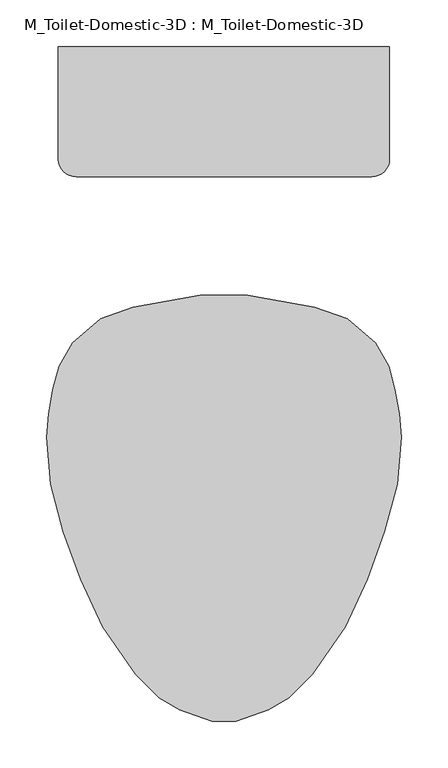
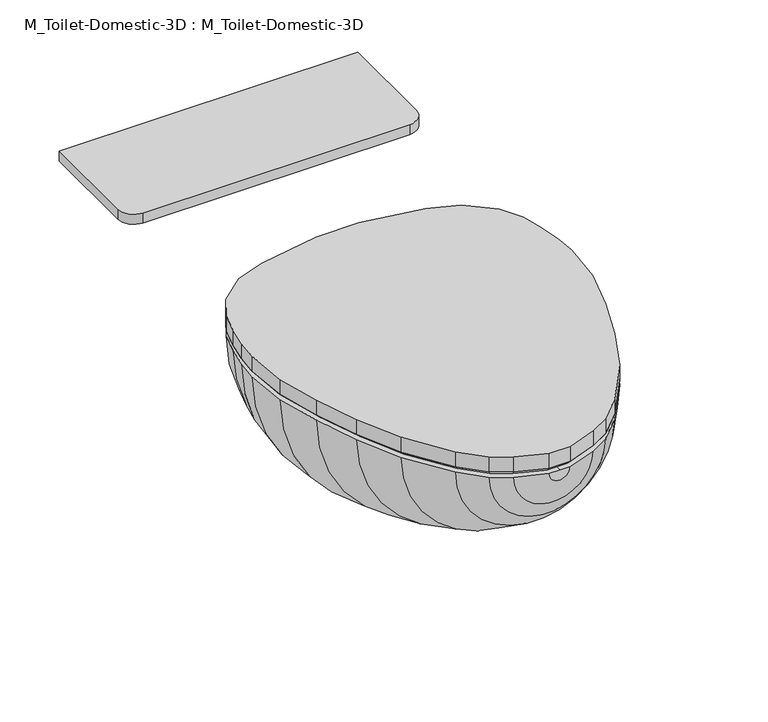
"""IFC4 building model written with IfcOpenShell, lengths in millimetres: flow terminal geometry, M_Toilet-Domestic-3D : M_Toilet-Domestic-3D."""

import ifcopenshell
import ifcopenshell.guid

model = None  # the IFC model being written
_history = None  # IfcOwnerHistory: only IFC2X3 demands one
_inside = {}  # id of a spatial element -> (the spatial element, [elements in it])
_under = {}  # id of a project, library or spatial element -> (it, [spatial elements below it])
_declared = {}  # id of a project -> (the project, [libraries it declares])
_typed = {}  # id of a type object -> (the type object, [elements of that type])
_made_of = {}  # id of a material, layer set ... -> (it, [elements and type objects made of it])


def new_model(schema):
    """Start an empty IFC model of exactly this schema.

    Asked for "IFC4X3", IfcOpenShell would pick the latest addendum, in which some entities
    have other attributes; the version numbers below select the first issue.
    IFC2X3 requires an IfcOwnerHistory on every rooted entity: one is made here for all.
    """
    global model, _history
    if schema == "IFC4X3":
        model = ifcopenshell.file(schema_version=(4, 3, 0, 0))
    else:
        model = ifcopenshell.file(schema=schema)
    _inside.clear()
    _under.clear()
    _declared.clear()
    _typed.clear()
    _made_of.clear()
    _history = None
    if model.schema == "IFC2X3":
        org = make("IfcOrganization", Name="unknown")
        user = make(
            "IfcPersonAndOrganization",
            ThePerson=make("IfcPerson", FamilyName="unknown"),
            TheOrganization=org,
        )
        app = make(
            "IfcApplication",
            ApplicationDeveloper=org,
            Version="unknown",
            ApplicationFullName="unknown",
            ApplicationIdentifier="unknown",
        )
        _history = make(
            "IfcOwnerHistory",
            OwningUser=user,
            OwningApplication=app,
            ChangeAction="ADDED",
            CreationDate=0,
        )
    return model


def make(cls, **values):
    """One entity of the class cls with the attributes given. An attribute that is None is left unset."""
    return model.create_entity(
        cls, **{name: value for name, value in values.items() if value is not None}
    )


def rooted(cls, **values):
    """An entity with a GlobalId (a new one), such as an element, a storey or a relation."""
    return make(cls, GlobalId=ifcopenshell.guid.new(), OwnerHistory=_history, **values)


def si_unit(unit_type, name, prefix=None):
    """IfcSIUnit, for example si_unit("LENGTHUNIT", "METRE", prefix="MILLI")."""
    return make("IfcSIUnit", UnitType=unit_type, Prefix=prefix, Name=name)


def assignment(units):
    """IfcUnitAssignment: the units of a project."""
    return None if units is None else make("IfcUnitAssignment", Units=units)


def point(xyz):
    """IfcCartesianPoint."""
    return None if xyz is None else make("IfcCartesianPoint", Coordinates=xyz)


def direction(xyz):
    """IfcDirection."""
    return None if xyz is None else make("IfcDirection", DirectionRatios=xyz)


def frame(location, z_axis=None, x_axis=None):
    """IfcAxis2Placement3D, a coordinate frame: its origin and axes. An axis left out is left unset."""
    return make(
        "IfcAxis2Placement3D",
        Location=point(location),
        Axis=direction(z_axis),
        RefDirection=direction(x_axis),
    )


def frame_2d(location, x_axis=None):
    """IfcAxis2Placement2D, a coordinate frame in the plane: its origin and x axis."""
    return make(
        "IfcAxis2Placement2D", Location=point(location), RefDirection=direction(x_axis)
    )


def origin():
    """The frame at (0, 0, 0) with its axes left unset."""
    return frame((0.0, 0.0, 0.0))


def place(relative_to, where):
    """IfcLocalPlacement: puts the frame where relative to a parent placement (None: the world)."""
    return make(
        "IfcLocalPlacement", PlacementRelTo=relative_to, RelativePlacement=where
    )


def context(
    kind, dimensions, precision=None, world=None, true_north=None, identifier=None
):
    """IfcGeometricRepresentationContext, for example the 3D "Model" context."""
    return make(
        "IfcGeometricRepresentationContext",
        ContextIdentifier=identifier,
        ContextType=kind,
        CoordinateSpaceDimension=dimensions,
        Precision=precision,
        WorldCoordinateSystem=world,
        TrueNorth=true_north,
    )


def project(units=None, contexts=None):
    """IfcProject with its units and contexts."""
    return rooted(
        "IfcProject",
        Name="project",
        RepresentationContexts=contexts,
        UnitsInContext=assignment(units),
    )


def spatial(cls, under=None, at=None, **own):
    """A site, building, storey or space (cls), placed at a placement, below another one or the project."""
    s = rooted(cls, ObjectPlacement=at, **own)
    if under is not None:
        _under.setdefault(under.id(), (under, []))[1].append(s)
    return s


def polyline(points):
    """IfcPolyline through the points."""
    return make("IfcPolyline", Points=[point(p) for p in points])


def circle_curve(where, radius):
    """IfcCircle in the frame where."""
    return make("IfcCircle", Position=where, Radius=radius)


def trimmed(basis, trim1, trim2, sense, master):
    """IfcTrimmedCurve: the piece of a basis curve between two trims."""
    return make(
        "IfcTrimmedCurve",
        BasisCurve=basis,
        Trim1=trim1,
        Trim2=trim2,
        SenseAgreement=sense,
        MasterRepresentation=master,
    )


def segment(curve, same_sense, transition):
    """IfcCompositeCurveSegment."""
    return make(
        "IfcCompositeCurveSegment",
        Transition=transition,
        SameSense=same_sense,
        ParentCurve=curve,
    )


def composite_curve(segments, self_intersect=None):
    """IfcCompositeCurve: segments joined end to end."""
    return make("IfcCompositeCurve", Segments=segments, SelfIntersect=self_intersect)


def outline(outer, holes=None, kind="AREA"):
    """IfcArbitraryClosedProfileDef: a profile drawn as a closed curve; with holes, ...WithVoids."""
    if holes is None:
        return make("IfcArbitraryClosedProfileDef", ProfileType=kind, OuterCurve=outer)
    return make(
        "IfcArbitraryProfileDefWithVoids",
        ProfileType=kind,
        OuterCurve=outer,
        InnerCurves=holes,
    )


def extrude(swept, where, along, depth):
    """IfcExtrudedAreaSolid: the profile swept, set in the frame where, extruded along a direction by depth."""
    return make(
        "IfcExtrudedAreaSolid",
        SweptArea=swept,
        Position=where,
        ExtrudedDirection=direction(along),
        Depth=depth,
    )


def faces_of(points, faces, orient=None, outer=None):
    """IfcFace entities. A face is a list of loops; a loop is a list of indices into points, from 0.

    orient and outer hold one flag for each loop. By default every Orientation is true, the
    first loop of a face is its IfcFaceOuterBound and the others are IfcFaceBound.
    """
    made = []
    for i, loops in enumerate(faces):
        bounds = []
        for j, loop in enumerate(loops):
            is_outer = j == 0 if outer is None else outer[i][j]
            bounds.append(
                make(
                    "IfcFaceOuterBound" if is_outer else "IfcFaceBound",
                    Bound=make("IfcPolyLoop", Polygon=[points[k] for k in loop]),
                    Orientation=True if orient is None else orient[i][j],
                )
            )
        made.append(make("IfcFace", Bounds=bounds))
    return made


def faceted_brep(points, faces, orient=None, outer=None, voids=None):
    """IfcFacetedBrep: a solid bounded by flat faces; with voids (closed shells), ...WithVoids."""
    shared = [point(p) for p in points]
    hull = make("IfcClosedShell", CfsFaces=faces_of(shared, faces, orient, outer))
    if voids is None:
        return make("IfcFacetedBrep", Outer=hull)
    return make(
        "IfcFacetedBrepWithVoids",
        Outer=hull,
        Voids=[
            make(cls, CfsFaces=faces_of(shared, fs, o, b)) for cls, fs, o, b in voids
        ],
    )


def shape(context_of_items, identifier, shape_type, items):
    """IfcShapeRepresentation: the items that make up one representation, for example the "Body"."""
    return make(
        "IfcShapeRepresentation",
        ContextOfItems=context_of_items,
        RepresentationIdentifier=identifier,
        RepresentationType=shape_type,
        Items=items,
    )


def source(mapping_origin, context_of_items, identifier, shape_type, items):
    """IfcRepresentationMap: a shape defined once, which mapped items show again and again."""
    return make(
        "IfcRepresentationMap",
        MappingOrigin=mapping_origin,
        MappedRepresentation=shape(context_of_items, identifier, shape_type, items),
    )


def transform(
    local_origin,
    x_axis=None,
    y_axis=None,
    z_axis=None,
    scale=None,
    scale2=None,
    scale3=None,
    uniform=True,
):
    """IfcCartesianTransformationOperator3D, or its non-uniform kind. x_axis, y_axis, z_axis: its Axis1, 2, 3."""
    if uniform:
        return make(
            "IfcCartesianTransformationOperator3D",
            Axis1=direction(x_axis),
            Axis2=direction(y_axis),
            LocalOrigin=point(local_origin),
            Scale=scale,
            Axis3=direction(z_axis),
        )
    return make(
        "IfcCartesianTransformationOperator3DnonUniform",
        Axis1=direction(x_axis),
        Axis2=direction(y_axis),
        LocalOrigin=point(local_origin),
        Scale=scale,
        Axis3=direction(z_axis),
        Scale2=scale2,
        Scale3=scale3,
    )


def mapped(mapping_source, mapping_target):
    """IfcMappedItem: shows the shape of a source again, moved by a transform."""
    return make(
        "IfcMappedItem", MappingSource=mapping_source, MappingTarget=mapping_target
    )


def made_of(thing, what):
    """Note that an element or type object is made of a material, layer set ...; save() writes the relation."""
    if what is not None:
        _made_of.setdefault(what.id(), (what, []))[1].append(thing)
    return thing


def element(
    cls,
    number,
    at=None,
    inside=None,
    cuts=None,
    type_object=None,
    material=None,
    context=None,
    identifier="Body",
    shape_type=None,
    held_by="IfcProductDefinitionShape",
    body=None,
    shapes=None,
    **own,
):
    """One element of the class cls, such as IfcWall. Its Tag is "e" and its number.

    at: its placement. inside: the storey or other place that contains it. cuts: it is an
    opening in that element (IfcRelVoidsElement). A single representation is given by context,
    identifier, shape_type and body (its items); several are given by shapes. held_by: the class
    of the entity that holds the representations. save() writes the other relations.
    """
    e = rooted(cls, Tag="e%d" % number, ObjectPlacement=at, **own)
    if body is not None:
        shapes = [shape(context, identifier, shape_type, body)]
    if shapes is not None:
        e.Representation = make(held_by, Representations=shapes)
    if inside is not None:
        _inside.setdefault(inside.id(), (inside, []))[1].append(e)
    if cuts is not None:
        rooted(
            "IfcRelVoidsElement", RelatingBuildingElement=cuts, RelatedOpeningElement=e
        )
    if type_object is not None:
        _typed.setdefault(type_object.id(), (type_object, []))[1].append(e)
    return made_of(e, material)


def aggregate(whole, parts):
    """IfcRelAggregates: a whole, such as a stair, and the parts it consists of."""
    return rooted("IfcRelAggregates", RelatingObject=whole, RelatedObjects=parts)


def save(model, path):
    """Write the relations noted so far, then the file.

    IfcRelAggregates (storeys below a building ...), IfcRelContainedInSpatialStructure (elements
    in a storey), IfcRelDefinesByType, IfcRelAssociatesMaterial and IfcRelDeclares: one each for
    every whole, place, type object, material and project.
    """
    for whole, parts in _under.values():
        aggregate(whole, parts)
    for where, things in _inside.values():
        rooted(
            "IfcRelContainedInSpatialStructure",
            RelatedElements=things,
            RelatingStructure=where,
        )
    for kind, things in _typed.values():
        rooted("IfcRelDefinesByType", RelatedObjects=things, RelatingType=kind)
    for what, things in _made_of.values():
        rooted("IfcRelAssociatesMaterial", RelatedObjects=things, RelatingMaterial=what)
    for by, libraries in _declared.values():
        rooted("IfcRelDeclares", RelatingContext=by, RelatedDefinitions=libraries)
    model.write(path)


def plane_surface(at):
    """IfcPlane: the flat surface through the origin of the frame at, square to its z axis."""
    return make("IfcPlane", Position=at)


def revolved_surface(curve, axis_point, axis_direction):
    """IfcSurfaceOfRevolution: the curve turned about the line through axis_point along axis_direction."""
    return make(
        "IfcSurfaceOfRevolution",
        SweptCurve=make("IfcArbitraryOpenProfileDef", ProfileType="CURVE", Curve=curve),
        AxisPosition=make("IfcAxis1Placement", Location=point(axis_point), Axis=direction(axis_direction)),
    )


def advanced_brep(points, edges, surfaces, faces):
    """IfcAdvancedBrep: a solid bounded by faces that lie on surfaces and meet in shared edges.

    An edge is (start, end): straight between two places in points (the first is 0);
    or (start, end, curve); or (start, end, curve, False) where it runs against its curve.
    A face is (place in surfaces, loops), or (place, loops, False) where it looks against
    its surface's normal. A loop lists edges by number (the first is 1), with a minus sign
    where the edge is run from its end to its start. The first loop is the outer one.
    """
    corners = [point(p) for p in points]
    vertices = [make("IfcVertexPoint", VertexGeometry=c) for c in corners]
    made = []
    for start, end, *more in edges:
        made.append(
            make(
                "IfcEdgeCurve",
                EdgeStart=vertices[start],
                EdgeEnd=vertices[end],
                EdgeGeometry=more[0] if more else make("IfcPolyline", Points=[corners[start], corners[end]]),
                SameSense=more[1] if len(more) > 1 else True,
            )
        )
    hull = []
    for where, loops, *sense in faces:
        bounds = []
        for j, loop in enumerate(loops):
            ring = [make("IfcOrientedEdge", EdgeElement=made[abs(k) - 1], Orientation=k > 0) for k in loop]
            bounds.append(
                make(
                    "IfcFaceOuterBound" if j == 0 else "IfcFaceBound",
                    Bound=make("IfcEdgeLoop", EdgeList=ring),
                    Orientation=True,
                )
            )
        hull.append(make("IfcAdvancedFace", Bounds=bounds, FaceSurface=surfaces[where], SameSense=sense[0] if sense else True))
    return make("IfcAdvancedBrep", Outer=make("IfcClosedShell", CfsFaces=hull))


def m_toilet_domestic_3d_m_toilet_domestic_3d_183bbd19(model_context):
    return source(origin(), model_context, "Body", "SolidModel", [
        advanced_brep(
        [(-25.4, 152.4, 361.95), (-97.4252791, 139.7, 361.95), (-132.3182423, 127.0, 361.95), (-162.5887836, 101.6, 361.95), (-176.9845865, 76.2, 361.95), (-183.790496, 50.8, 361.95), (-188.2862441, 25.3033453, 361.95), (-190.5, 0.0, 361.95), (-186.0724883, -50.6066907, 361.95), (-172.4088722, -101.6, 361.95), (-153.9191843, -152.4, 361.95), (-130.2307553, -203.2, 361.95), (-94.9900085, -254.0, 361.95), (-69.5900085, -279.4, 361.95), (-47.5929632, -292.1, 361.95), (-12.7, -304.8, 361.95), (0.0, -304.8, 361.95), (0.0, -284.592034, 361.95), (-12.5224565, -284.592034, 361.95), (-39.5113323, -274.7688865, 361.95), (-58.4178985, -263.8531754, 361.95), (-79.2146703, -243.0564036, 361.95), (-114.0255101, -192.8761202, 361.95), (-136.654021, -144.3491221, 361.95), (-154.575847, -95.1093097, 361.95), (-167.7238545, -46.0402777, 361.95), (-171.5645445, -2.1409906, 361.95), (-169.3087351, 23.6430284, 361.95), (-165.101298, 47.5045901, 361.95), (-159.5484355, 68.2281551, 361.95), (-146.1085923, 90.5605136, 361.95), (-121.9980886, 110.7916284, 361.95), (-94.1172813, 120.9394123, 361.95), (-22.0920022, 133.6394123, 361.95), (0.0, 133.6394123, 361.95), (0.0, 152.4, 361.95), (25.4, 152.4, 361.95), (22.0920022, 133.6394123, 361.95), (94.1172813, 120.9394123, 361.95), (121.9980886, 110.7916284, 361.95), (146.1085923, 90.5605136, 361.95), (159.5484355, 68.2281551, 361.95), (165.101298, 47.5045901, 361.95), (169.3087351, 23.6430284, 361.95), (171.5645445, -2.1409906, 361.95), (167.7238545, -46.0402777, 361.95), (154.575847, -95.1093097, 361.95), (136.654021, -144.3491221, 361.95), (114.0255101, -192.8761202, 361.95), (79.2146703, -243.0564036, 361.95), (58.4178985, -263.8531754, 361.95), (39.5113323, -274.7688865, 361.95), (12.5224565, -284.592034, 361.95), (12.7, -304.8, 361.95), (47.5929632, -292.1, 361.95), (69.5900085, -279.4, 361.95), (94.9900085, -254.0, 361.95), (130.2307553, -203.2, 361.95), (153.9191843, -152.4, 361.95), (172.4088722, -101.6, 361.95), (186.0724883, -50.6066907, 361.95), (190.5, 0.0, 361.95), (188.2862441, 25.3033453, 361.95), (183.790496, 50.8, 361.95), (176.9845865, 76.2, 361.95), (162.5887836, 101.6, 361.95), (132.3182423, 127.0, 361.95), (97.4252791, 139.7, 361.95)],
        [
            (0, 1),
            (1, 2),
            (2, 3),
            (3, 4),
            (4, 5),
            (5, 6),
            (6, 7),
            (7, 8),
            (8, 9),
            (9, 10),
            (10, 11),
            (11, 12),
            (12, 13),
            (13, 14),
            (14, 15),
            (15, 16),
            (16, 17),
            (17, 18),
            (18, 19),
            (19, 20),
            (20, 21),
            (21, 22),
            (22, 23),
            (23, 24),
            (24, 25),
            (25, 26),
            (26, 27),
            (27, 28),
            (28, 29),
            (29, 30),
            (30, 31),
            (31, 32),
            (32, 33),
            (33, 34),
            (34, 35),
            (35, 0),
            (36, 35),
            (34, 37),
            (37, 38),
            (38, 39),
            (39, 40),
            (40, 41),
            (41, 42),
            (42, 43),
            (43, 44),
            (44, 45),
            (45, 46),
            (46, 47),
            (47, 48),
            (48, 49),
            (49, 50),
            (50, 51),
            (51, 52),
            (52, 17),
            (16, 53),
            (53, 54),
            (54, 55),
            (55, 56),
            (56, 57),
            (57, 58),
            (58, 59),
            (59, 60),
            (60, 61),
            (61, 62),
            (62, 63),
            (63, 64),
            (64, 65),
            (65, 66),
            (66, 67),
            (67, 36),
            (67, 1, circle_curve(frame((0.0, 139.7, 361.95), z_axis=(0.0, 1.0, 0.0), x_axis=(-1.0, 0.0, 0.0)), 97.4252791)),
            (0, 36, circle_curve(frame((0.0, 152.4, 361.95), z_axis=(0.0, -1.0, 0.0), x_axis=(-1.0, 0.0, 0.0)), 25.4)),
            (66, 2, circle_curve(frame((0.0, 127.0, 361.95), z_axis=(0.0, 1.0, 0.0), x_axis=(-1.0, 0.0, 0.0)), 132.3182423)),
            (65, 3, circle_curve(frame((0.0, 101.6, 361.95), z_axis=(0.0, 1.0, 0.0), x_axis=(-1.0, 0.0, 0.0)), 162.5887836)),
            (64, 4, circle_curve(frame((0.0, 76.2, 361.95), z_axis=(0.0, 1.0, 0.0), x_axis=(-1.0, 0.0, 0.0)), 176.9845865)),
            (63, 5, circle_curve(frame((0.0, 50.8, 361.95), z_axis=(0.0, 1.0, 0.0), x_axis=(-1.0, 0.0, 0.0)), 183.790496)),
            (62, 6, circle_curve(frame((0.0, 25.3033453, 361.95), z_axis=(0.0, 1.0, 0.0), x_axis=(-1.0, 0.0, 0.0)), 188.2862441)),
            (61, 7, circle_curve(frame((0.0, 0.0, 361.95), z_axis=(0.0, 1.0, 0.0), x_axis=(-1.0, 0.0, 0.0)), 190.5)),
            (60, 8, circle_curve(frame((0.0, -50.6066907, 361.95), z_axis=(0.0, 1.0, 0.0), x_axis=(-1.0, 0.0, 0.0)), 186.0724883)),
            (59, 9, circle_curve(frame((0.0, -101.6, 361.95), z_axis=(0.0, 1.0, 0.0), x_axis=(-1.0, 0.0, 0.0)), 172.4088722)),
            (58, 10, circle_curve(frame((0.0, -152.4, 361.95), z_axis=(0.0, 1.0, 0.0), x_axis=(-1.0, 0.0, 0.0)), 153.9191843)),
            (57, 11, circle_curve(frame((0.0, -203.2, 361.95), z_axis=(0.0, 1.0, 0.0), x_axis=(-1.0, 0.0, 0.0)), 130.2307553)),
            (56, 12, circle_curve(frame((0.0, -254.0, 361.95), z_axis=(0.0, 1.0, 0.0), x_axis=(-1.0, 0.0, 0.0)), 94.9900085)),
            (55, 13, circle_curve(frame((0.0, -279.4, 361.95), z_axis=(0.0, 1.0, 0.0), x_axis=(-1.0, 0.0, 0.0)), 69.5900085)),
            (54, 14, circle_curve(frame((0.0, -292.1, 361.95), z_axis=(0.0, 1.0, 0.0), x_axis=(-1.0, 0.0, 0.0)), 47.5929632)),
            (53, 15, circle_curve(frame((0.0, -304.8, 361.95), z_axis=(0.0, 1.0, 0.0), x_axis=(-1.0, 0.0, 0.0)), 12.7)),
            (52, 18, circle_curve(frame((0.0, -284.592034, 361.95), z_axis=(0.0, 1.0, 0.0), x_axis=(-1.0, 0.0, 0.0)), 12.5224565)),
            (51, 19, circle_curve(frame((0.0, -274.7688865, 361.95), z_axis=(0.0, 1.0, 0.0), x_axis=(-1.0, 0.0, 0.0)), 39.5113323)),
            (50, 20, circle_curve(frame((0.0, -263.8531754, 361.95), z_axis=(0.0, 1.0, 0.0), x_axis=(-1.0, 0.0, 0.0)), 58.4178985)),
            (49, 21, circle_curve(frame((0.0, -243.0564036, 361.95), z_axis=(0.0, 1.0, 0.0), x_axis=(-1.0, 0.0, 0.0)), 79.2146703)),
            (48, 22, circle_curve(frame((0.0, -192.8761202, 361.95), z_axis=(0.0, 1.0, 0.0), x_axis=(-1.0, 0.0, 0.0)), 114.0255101)),
            (47, 23, circle_curve(frame((0.0, -144.3491221, 361.95), z_axis=(0.0, 1.0, 0.0), x_axis=(-1.0, 0.0, 0.0)), 136.654021)),
            (46, 24, circle_curve(frame((0.0, -95.1093097, 361.95), z_axis=(0.0, 1.0, 0.0), x_axis=(-1.0, 0.0, 0.0)), 154.575847)),
            (45, 25, circle_curve(frame((0.0, -46.0402777, 361.95), z_axis=(0.0, 1.0, 0.0), x_axis=(-1.0, 0.0, 0.0)), 167.7238545)),
            (44, 26, circle_curve(frame((0.0, -2.1409906, 361.95), z_axis=(0.0, 1.0, 0.0), x_axis=(-1.0, 0.0, 0.0)), 171.5645445)),
            (43, 27, circle_curve(frame((0.0, 23.6430284, 361.95), z_axis=(0.0, 1.0, 0.0), x_axis=(-1.0, 0.0, 0.0)), 169.3087351)),
            (42, 28, circle_curve(frame((0.0, 47.5045901, 361.95), z_axis=(0.0, 1.0, 0.0), x_axis=(-1.0, 0.0, 0.0)), 165.101298)),
            (41, 29, circle_curve(frame((0.0, 68.2281551, 361.95), z_axis=(0.0, 1.0, 0.0), x_axis=(-1.0, 0.0, 0.0)), 159.5484355)),
            (40, 30, circle_curve(frame((0.0, 90.5605136, 361.95), z_axis=(0.0, 1.0, 0.0), x_axis=(-1.0, 0.0, 0.0)), 146.1085923)),
            (39, 31, circle_curve(frame((0.0, 110.7916284, 361.95), z_axis=(0.0, 1.0, 0.0), x_axis=(-1.0, 0.0, 0.0)), 121.9980886)),
            (38, 32, circle_curve(frame((0.0, 120.9394123, 361.95), z_axis=(0.0, 1.0, 0.0), x_axis=(-1.0, 0.0, 0.0)), 94.1172813)),
            (37, 33, circle_curve(frame((0.0, 133.6394123, 361.95), z_axis=(0.0, 1.0, 0.0), x_axis=(-1.0, 0.0, 0.0)), 22.0920022)),
        ],
        [
            plane_surface(frame((0.0, 175.1599017, 361.95), z_axis=(0.0, 0.0, 1.0), x_axis=(-1.0, 0.0, 0.0))),
            plane_surface(frame((0.0, 175.1599017, 361.95), z_axis=(0.0, 0.0, 1.0), x_axis=(1.0, 0.0, 0.0))),
            revolved_surface(polyline([(-25.4, 152.4, 361.95), (-97.4252791, 139.7, 361.95)]), (0.0, 175.1599017, 361.95), (0.0, -1.0, 0.0)),
            revolved_surface(polyline([(-97.4252791, 139.7, 361.95), (-132.3182423, 127.0, 361.95)]), (0.0, 175.1599017, 361.95), (0.0, -1.0, 0.0)),
            revolved_surface(polyline([(-132.3182423, 127.0, 361.95), (-162.5887836, 101.6, 361.95)]), (0.0, 175.1599017, 361.95), (0.0, -1.0, 0.0)),
            revolved_surface(polyline([(-162.5887836, 101.6, 361.95), (-176.9845865, 76.2, 361.95)]), (0.0, 175.1599017, 361.95), (0.0, -1.0, 0.0)),
            revolved_surface(polyline([(-176.9845865, 76.2, 361.95), (-183.790496, 50.8, 361.95)]), (0.0, 175.1599017, 361.95), (0.0, -1.0, 0.0)),
            revolved_surface(polyline([(-183.790496, 50.8, 361.95), (-188.2862441, 25.3033453, 361.95)]), (0.0, 175.1599017, 361.95), (0.0, -1.0, 0.0)),
            revolved_surface(polyline([(-188.2862441, 25.3033453, 361.95), (-190.5, 0.0, 361.95)]), (0.0, 175.1599017, 361.95), (0.0, -1.0, 0.0)),
            revolved_surface(polyline([(-190.5, 0.0, 361.95), (-186.0724883, -50.6066907, 361.95)]), (0.0, 175.1599017, 361.95), (0.0, -1.0, 0.0)),
            revolved_surface(polyline([(-186.0724883, -50.6066907, 361.95), (-172.4088722, -101.6, 361.95)]), (0.0, 175.1599017, 361.95), (0.0, -1.0, 0.0)),
            revolved_surface(polyline([(-172.4088722, -101.6, 361.95), (-153.9191843, -152.4, 361.95)]), (0.0, 175.1599017, 361.95), (0.0, -1.0, 0.0)),
            revolved_surface(polyline([(-153.9191843, -152.4, 361.95), (-130.2307553, -203.2, 361.95)]), (0.0, 175.1599017, 361.95), (0.0, -1.0, 0.0)),
            revolved_surface(polyline([(-130.2307553, -203.2, 361.95), (-94.9900085, -254.0, 361.95)]), (0.0, 175.1599017, 361.95), (0.0, -1.0, 0.0)),
            revolved_surface(polyline([(-94.9900085, -254.0, 361.95), (-69.5900085, -279.4, 361.95)]), (0.0, 175.1599017, 361.95), (0.0, -1.0, 0.0)),
            revolved_surface(polyline([(-69.5900085, -279.4, 361.95), (-47.5929632, -292.1, 361.95)]), (0.0, 175.1599017, 361.95), (0.0, -1.0, 0.0)),
            revolved_surface(polyline([(-47.5929632, -292.1, 361.95), (-12.7, -304.8, 361.95)]), (0.0, 175.1599017, 361.95), (0.0, -1.0, 0.0)),
            plane_surface(frame((0.0, -304.8, 361.95), z_axis=(0.0, -1.0, 0.0), x_axis=(-1.0, 0.0, 0.0))),
            plane_surface(frame((0.0, -284.592034, 361.95), z_axis=(0.0, 1.0, 0.0), x_axis=(-1.0, 0.0, 0.0))),
            revolved_surface(polyline([(-12.5224565, -284.592034, 361.95), (-39.5113323, -274.7688865, 361.95)]), (0.0, 175.1599017, 361.95), (0.0, -1.0, 0.0)),
            revolved_surface(polyline([(-39.5113323, -274.7688865, 361.95), (-58.4178985, -263.8531754, 361.95)]), (0.0, 175.1599017, 361.95), (0.0, -1.0, 0.0)),
            revolved_surface(polyline([(-58.4178985, -263.8531754, 361.95), (-79.2146703, -243.0564036, 361.95)]), (0.0, 175.1599017, 361.95), (0.0, -1.0, 0.0)),
            revolved_surface(polyline([(-79.2146703, -243.0564036, 361.95), (-114.0255101, -192.8761202, 361.95)]), (0.0, 175.1599017, 361.95), (0.0, -1.0, 0.0)),
            revolved_surface(polyline([(-114.0255101, -192.8761202, 361.95), (-136.654021, -144.3491221, 361.95)]), (0.0, 175.1599017, 361.95), (0.0, -1.0, 0.0)),
            revolved_surface(polyline([(-136.654021, -144.3491221, 361.95), (-154.575847, -95.1093097, 361.95)]), (0.0, 175.1599017, 361.95), (0.0, -1.0, 0.0)),
            revolved_surface(polyline([(-154.575847, -95.1093097, 361.95), (-167.7238545, -46.0402777, 361.95)]), (0.0, 175.1599017, 361.95), (0.0, -1.0, 0.0)),
            revolved_surface(polyline([(-167.7238545, -46.0402777, 361.95), (-171.5645445, -2.1409906, 361.95)]), (0.0, 175.1599017, 361.95), (0.0, -1.0, 0.0)),
            revolved_surface(polyline([(-171.5645445, -2.1409906, 361.95), (-169.3087351, 23.6430284, 361.95)]), (0.0, 175.1599017, 361.95), (0.0, -1.0, 0.0)),
            revolved_surface(polyline([(-169.3087351, 23.6430284, 361.95), (-165.101298, 47.5045901, 361.95)]), (0.0, 175.1599017, 361.95), (0.0, -1.0, 0.0)),
            revolved_surface(polyline([(-165.101298, 47.5045901, 361.95), (-159.5484355, 68.2281551, 361.95)]), (0.0, 175.1599017, 361.95), (0.0, -1.0, 0.0)),
            revolved_surface(polyline([(-159.5484355, 68.2281551, 361.95), (-146.1085923, 90.5605136, 361.95)]), (0.0, 175.1599017, 361.95), (0.0, -1.0, 0.0)),
            revolved_surface(polyline([(-146.1085923, 90.5605136, 361.95), (-121.9980886, 110.7916284, 361.95)]), (0.0, 175.1599017, 361.95), (0.0, -1.0, 0.0)),
            revolved_surface(polyline([(-121.9980886, 110.7916284, 361.95), (-94.1172813, 120.9394123, 361.95)]), (0.0, 175.1599017, 361.95), (0.0, -1.0, 0.0)),
            revolved_surface(polyline([(-94.1172813, 120.9394123, 361.95), (-22.0920022, 133.6394123, 361.95)]), (0.0, 175.1599017, 361.95), (0.0, -1.0, 0.0)),
            plane_surface(frame((0.0, 133.6394123, 361.95), z_axis=(0.0, -1.0, 0.0), x_axis=(-1.0, 0.0, 0.0))),
            plane_surface(frame((0.0, 152.4, 361.95), z_axis=(0.0, 1.0, 0.0), x_axis=(-1.0, 0.0, 0.0))),
        ],
        [
            (0, [[1, 2, 3, 4, 5, 6, 7, 8, 9, 10, 11, 12, 13, 14, 15, 16, 17, 18, 19, 20, 21, 22, 23, 24, 25, 26, 27, 28, 29, 30, 31, 32, 33, 34, 35, 36]]),
            (1, [[37, -35, 38, 39, 40, 41, 42, 43, 44, 45, 46, 47, 48, 49, 50, 51, 52, 53, 54, -17, 55, 56, 57, 58, 59, 60, 61, 62, 63, 64, 65, 66, 67, 68, 69, 70]]),
            (2, [[71, -1, 72, -70]]),
            (3, [[73, -2, -71, -69]]),
            (4, [[74, -3, -73, -68]]),
            (5, [[75, -4, -74, -67]]),
            (6, [[76, -5, -75, -66]]),
            (7, [[77, -6, -76, -65]]),
            (8, [[78, -7, -77, -64]]),
            (9, [[79, -8, -78, -63]]),
            (10, [[80, -9, -79, -62]]),
            (11, [[81, -10, -80, -61]]),
            (12, [[82, -11, -81, -60]]),
            (13, [[83, -12, -82, -59]]),
            (14, [[84, -13, -83, -58]]),
            (15, [[85, -14, -84, -57]]),
            (16, [[86, -15, -85, -56]]),
            (17, [[-16, -86, -55]]),
            (18, [[87, -18, -54]]),
            (19, [[88, -19, -87, -53]]),
            (20, [[89, -20, -88, -52]]),
            (21, [[90, -21, -89, -51]]),
            (22, [[91, -22, -90, -50]]),
            (23, [[92, -23, -91, -49]]),
            (24, [[93, -24, -92, -48]]),
            (25, [[94, -25, -93, -47]]),
            (26, [[95, -26, -94, -46]]),
            (27, [[96, -27, -95, -45]]),
            (28, [[97, -28, -96, -44]]),
            (29, [[98, -29, -97, -43]]),
            (30, [[99, -30, -98, -42]]),
            (31, [[100, -31, -99, -41]]),
            (32, [[101, -32, -100, -40]]),
            (33, [[102, -33, -101, -39]]),
            (34, [[-34, -102, -38]]),
            (35, [[-72, -36, -37]]),
        ],
    ),
        faceted_brep([(-97.4252791, 139.7, 368.3), (-132.3182423, 127.0, 368.3), (-162.5887836, 101.6, 368.3), (-176.9845865, 76.2, 368.3), (-183.790496, 50.8, 368.3), (-188.2862441, 25.3033453, 368.3), (-190.5, 0.0, 368.3), (-186.0724883, -50.6066907, 368.3), (-172.4088722, -101.6, 368.3), (-153.9191843, -152.4, 368.3), (-130.2307553, -203.2, 368.3), (-94.9900085, -254.0, 368.3), (-69.5900085, -279.4, 368.3), (-47.5929632, -292.1, 368.3), (-12.7, -304.8, 368.3), (12.7, -304.8, 368.3), (47.5929632, -292.1, 368.3), (69.5900085, -279.4, 368.3), (94.9900085, -254.0, 368.3), (130.2307553, -203.2, 368.3), (153.9191843, -152.4, 368.3), (172.4088722, -101.6, 368.3), (186.0724883, -50.6066907, 368.3), (190.5, 0.0, 368.3), (188.2862441, 25.3033453, 368.3), (183.790496, 50.8, 368.3), (176.9845865, 76.2, 368.3), (162.5887836, 101.6, 368.3), (132.3182423, 127.0, 368.3), (97.4252791, 139.7, 368.3), (25.4, 152.4, 368.3), (-25.4, 152.4, 368.3), (-95.7755003, 133.5429415, 361.95), (-24.844447, 146.05, 361.95), (24.844447, 146.05, 361.95), (95.7755003, 133.5429415, 361.95), (129.0942628, 121.4159037, 361.95), (157.6293435, 97.472128, 361.95), (171.060664, 73.773864, 361.95), (177.5851102, 49.4242991, 361.95), (181.9845715, 24.4737144, 361.95), (184.125744, 0.0, 361.95), (179.7950716, -49.4998127, 361.95), (166.347, -99.688699, 361.95), (148.0469602, -149.9676451, 361.95), (124.7045808, -200.0255393, 361.95), (90.0971582, -249.9125941, 361.95), (65.691017, -274.3187354, 361.95), (44.8990862, -286.3229622, 361.95), (11.5803237, -298.45, 361.95), (-11.5803237, -298.45, 361.95), (-44.8990862, -286.3229622, 361.95), (-65.691017, -274.3187354, 361.95), (-90.0971582, -249.9125941, 361.95), (-124.7045808, -200.0255393, 361.95), (-148.0469602, -149.9676451, 361.95), (-166.347, -99.688699, 361.95), (-179.7950716, -49.4998127, 361.95), (-184.125744, 0.0, 361.95), (-181.9845715, 24.4737144, 361.95), (-177.5851102, 49.4242991, 361.95), (-171.060664, 73.773864, 361.95), (-157.6293435, 97.472128, 361.95), (-129.0942628, 121.4159037, 361.95)], [[[0, 1, 2, 3, 4, 5, 6, 7, 8, 9, 10, 11, 12, 13, 14, 15, 16, 17, 18, 19, 20, 21, 22, 23, 24, 25, 26, 27, 28, 29, 30, 31]], [[32, 33, 34, 35, 36, 37, 38, 39, 40, 41, 42, 43, 44, 45, 46, 47, 48, 49, 50, 51, 52, 53, 54, 55, 56, 57, 58, 59, 60, 61, 62, 63]], [[32, 63, 1, 0]], [[63, 62, 2, 1]], [[62, 61, 3, 2]], [[61, 60, 4, 3]], [[60, 59, 5, 4]], [[59, 58, 6, 5]], [[58, 57, 7, 6]], [[57, 56, 8, 7]], [[56, 55, 9, 8]], [[55, 54, 10, 9]], [[54, 53, 11, 10]], [[53, 52, 12, 11]], [[52, 51, 13, 12]], [[51, 50, 14, 13]], [[50, 49, 15, 14]], [[49, 48, 16, 15]], [[48, 47, 17, 16]], [[47, 46, 18, 17]], [[46, 45, 19, 18]], [[45, 44, 20, 19]], [[44, 43, 21, 20]], [[43, 42, 22, 21]], [[42, 41, 23, 22]], [[41, 40, 24, 23]], [[40, 39, 25, 24]], [[39, 38, 26, 25]], [[38, 37, 27, 26]], [[37, 36, 28, 27]], [[36, 35, 29, 28]], [[35, 34, 30, 29]], [[34, 33, 31, 30]], [[33, 32, 0, 31]]]),
        extrude(outline(composite_curve([segment(polyline([(177.8, 419.1), (177.8, 298.45)]), True, "CONTINUOUS"), segment(trimmed(circle_curve(frame_2d((158.75, 298.45)), 19.05), [point((177.8, 298.45))], [point((158.75, 279.4))], False, "CARTESIAN"), True, "CONTINUOUS"), segment(polyline([(158.75, 279.4), (-158.75, 279.4)]), True, "CONTINUOUS"), segment(trimmed(circle_curve(frame_2d((-158.75, 298.45)), 19.05), [point((-158.75, 279.4))], [point((-177.8, 298.45))], False, "CARTESIAN"), True, "CONTINUOUS"), segment(polyline([(-177.8, 298.45), (-177.8, 419.1), (177.8, 419.1)]), True, "CONTINUOUS")], self_intersect=False)), frame((0.0, 0.0, 374.65), z_axis=(0.0, 0.0, 1.0), x_axis=(1.0, 0.0, 0.0)), (0.0, 0.0, 1.0), 12.5681453),
        extrude(outline(polyline([(-162.5887836, 101.6), (-132.3182423, 127.0), (-97.4252791, 139.7), (-25.4, 152.4), (25.4, 152.4), (97.4252791, 139.7), (132.3182423, 127.0), (162.5887836, 101.6), (176.9845865, 76.2), (183.790496, 50.8), (188.2862441, 25.3033453), (190.5, 0.0), (186.0724883, -50.6066907), (172.4088722, -101.6), (153.9191843, -152.4), (130.2307553, -203.2), (94.9900085, -254.0), (69.5900085, -279.4), (47.5929632, -292.1), (12.7, -304.8), (-12.7, -304.8), (-47.5929632, -292.1), (-69.5900085, -279.4), (-94.9900085, -254.0), (-130.2307553, -203.2), (-153.9191843, -152.4), (-172.4088722, -101.6), (-186.0724883, -50.6066907), (-190.5, 0.0), (-188.2862441, 25.3033453), (-183.790496, 50.8), (-176.9845865, 76.2), (-162.5887836, 101.6)])), frame((0.0, 0.0, 368.3), z_axis=(0.0, 0.0, 1.0), x_axis=(1.0, 0.0, 0.0)), (0.0, 0.0, 1.0), 19.05),
    ])


if __name__ == "__main__":
    model = new_model("IFC4")
    model_context = context("Model", 3, world=origin())
    ifc_project = project(units=[si_unit("LENGTHUNIT", "METRE", prefix="MILLI")], contexts=[model_context])
    site = spatial("IfcSite", under=ifc_project)
    building = spatial("IfcBuilding", under=site)
    placement = place(None, origin())
    m_toilet_domestic_3d_m_toilet_domestic_3d_shape = m_toilet_domestic_3d_m_toilet_domestic_3d_183bbd19(model_context)
    element("IfcFlowTerminal", 1, ObjectType="M_Toilet-Domestic-3D : M_Toilet-Domestic-3D", at=placement, inside=building, context=model_context, shape_type="MappedRepresentation", body=[
        mapped(m_toilet_domestic_3d_m_toilet_domestic_3d_shape, transform((0.0, 0.0, 0.0), x_axis=(1.0, 0.0, 0.0), y_axis=(0.0, 1.0, 0.0), z_axis=(0.0, 0.0, 1.0))),
    ])
    save(model, "model.ifc")
